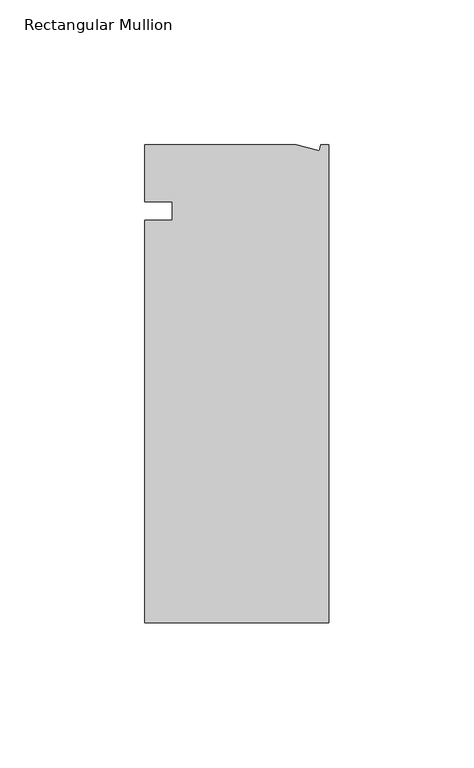
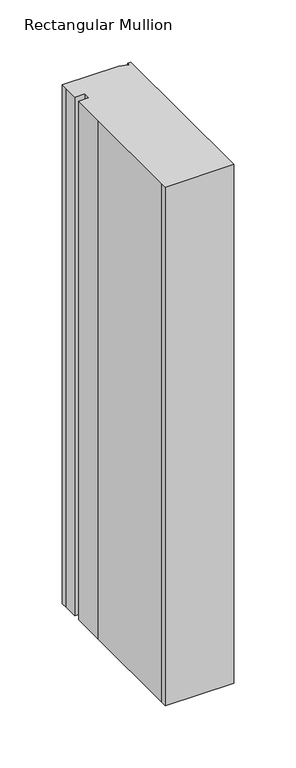
"""IFC4 building model written with IfcOpenShell, lengths in millimetres: member geometry, Rectangular Mullion."""

from ifc_helpers import new_model, si_unit, frame, origin, place, context, project, spatial, polyline, outline, extrude, source, transform, mapped, element, save


def rectangular_mullion_d899f75a(model_context):
    return source(origin(), model_context, "Body", "SweptSolid", [
        extrude(outline(polyline([(-11.1265412, 19.6597595), (-3.3457217, 17.5748952), (-2.787084, 19.6597595), (0.0, 19.6597595), (0.0, -145.4402405), (-63.5, -145.4402405), (-63.5, -139.091245), (-63.5, -38.3358837), (-63.5, -6.35), (-53.975, -6.35), (-53.975, 0.0), (-63.5, 0.0), (-63.5, 13.6200033), (-63.5, 19.6597595), (-11.1265412, 19.6597595)])), frame((0.0, 0.0, -508.0), z_axis=(0.0, 0.0, 1.0), x_axis=(1.0, 0.0, 0.0)), (0.0, 0.0, 1.0), 508.0),
    ])


if __name__ == "__main__":
    model = new_model("IFC4")
    model_context = context("Model", 3, world=origin())
    ifc_project = project(units=[si_unit("LENGTHUNIT", "METRE", prefix="MILLI")], contexts=[model_context])
    site = spatial("IfcSite", under=ifc_project)
    building = spatial("IfcBuilding", under=site)
    placement = place(None, origin())
    rectangular_mullion_shape = rectangular_mullion_d899f75a(model_context)
    element("IfcMember", 1, ObjectType="Rectangular Mullion", at=placement, inside=building, context=model_context, shape_type="MappedRepresentation", body=[
        mapped(rectangular_mullion_shape, transform((0.0, 0.0, 0.0), x_axis=(1.0, 0.0, 0.0), y_axis=(0.0, 1.0, 0.0), z_axis=(0.0, 0.0, 1.0))),
    ])
    save(model, "model.ifc")
